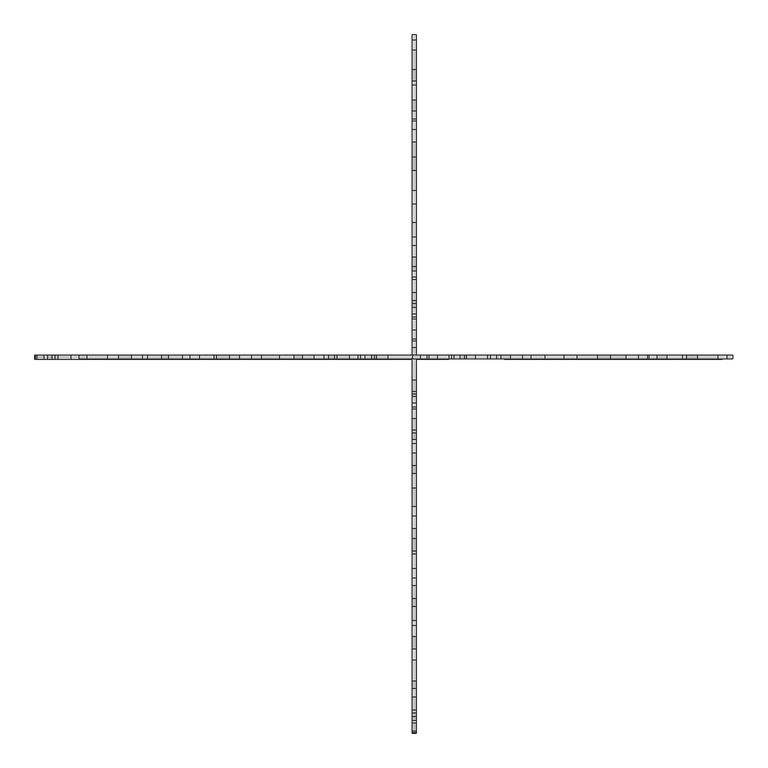
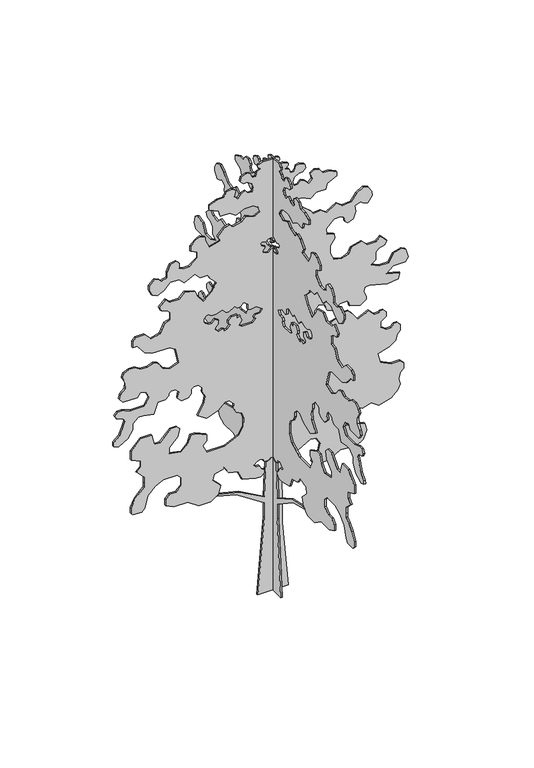
"""IFC4 building model written with IfcOpenShell, lengths in millimetres: geographic element geometry."""

from ifc_helpers import new_model, si_unit, frame, origin, place, context, project, spatial, polyline, outline, extrude, source, transform, mapped, element, save


def geographic_element_8b4415ea(model_context):
    return source(origin(), model_context, "Body", "SweptSolid", [
        extrude(outline(polyline([(909.6362132, -38.5817542), (912.2284196, -48.2559999), (667.3547769, -57.9302455), (758.3296917, -222.0533363), (791.0514267, -358.3990671), (781.9407792, -371.4104203), (747.1795853, -241.6798785), (625.5803062, -57.9302455), (525.4251453, -57.9302455), (0.0, -99.3630761), (0.0, 100.9472457), (448.9831813, 61.6663073), (649.2935031, 61.6663073), (824.9746924, 52.4592463), (824.9746924, 40.7138002), (840.1746023, 17.7450961), (855.1978764, 17.7450961), (867.5914453, 30.138665), (886.9399366, 35.3230776), (915.9626736, 27.5464587), (925.8960574, -13.8442096), (917.0435083, -22.6967588), (909.6362132, -38.5817542)])), frame((0.0, -10.0, 0.0), z_axis=(0.0, 1.0, 0.0), x_axis=(0.0, 0.0, 1.0)), (0.0, 0.0, 1.0), 10.0),
        extrude(outline(polyline([(3004.9780743, -68.6541089), (2990.7876761, -99.085516), (2975.764402, -99.085516), (2958.0593036, -81.3804177), (2946.4192686, -106.3425533), (2917.3965316, -114.1191722), (2917.3965316, -131.6463254), (2929.1426302, -143.3924239), (2953.3282443, -149.8729397), (2959.8087601, -174.0585538), (2943.9359851, -208.0978297), (2917.3965316, -215.2090548), (2896.1504136, -193.9629368), (2896.1504136, -168.9241465), (2876.0440895, -140.2093398), (2851.0819539, -128.5693048), (2819.6406555, -136.9939754), (2819.6406555, -162.0327656), (2840.8867735, -183.2788836), (2829.2467385, -208.2410192), (2804.4596008, -233.0281569), (2827.4762287, -256.0447848), (2866.1732113, -245.6759596), (2884.8433694, -272.3397086), (2876.1637887, -304.7323448), (2843.1190964, -327.8704875), (2843.1190964, -367.9325518), (2819.6406555, -418.2822308), (2789.5941072, -418.2822308), (2760.4485101, -355.7792961), (2721.7515275, -345.4104709), (2721.7515275, -284.3736331), (2693.0282074, -243.3524807), (2718.4246474, -188.8896394), (2718.4246474, -128.7965428), (2697.6207624, -99.085516), (2661.3122015, -82.154556), (2640.1485015, -127.5402571), (2664.0032343, -178.6968967), (2635.6750769, -207.025054), (2620.1218391, -265.070528), (2643.6188694, -288.5675583), (2628.7347313, -320.4866955), (2586.2424952, -362.9789315), (2549.9339343, -346.0479715), (2530.4469172, -418.7745096), (2590.6432413, -446.8445165), (2610.6742735, -446.8445165), (2626.0661832, -479.8525735), (2613.3679632, -507.0839941), (2577.9577665, -542.4941909), (2545.7863927, -542.4941909), (2524.6226927, -497.1084897), (2484.5606283, -497.1084897), (2442.7925354, -550.7714924), (2442.7925354, -590.8335568), (2455.4907554, -618.0649774), (2489.9716995, -618.0649774), (2509.2890651, -637.382343), (2498.9202398, -676.0793256), (2456.1594813, -696.0189948), (2416.0974169, -696.0189948), (2405.7285917, -734.7159774), (2419.8926703, -748.8800561), (2433.9295476, -778.9822366), (2398.3382586, -814.5735256), (2368.2917103, -814.5735256), (2328.4441857, -795.9923197), (2312.9629237, -762.7926462), (2334.1266237, -717.4069451), (2376.6188597, -674.914709), (2376.6188597, -618.0649774), (2343.4044757, -584.8505934), (2376.6188597, -513.6221171), (2341.208663, -478.2119203), (2341.208663, -428.1343399), (2313.9772424, -415.4361199), (2271.4850063, -372.9438838), (2217.0221649, -398.3403238), (2170.7424304, -457.7998142), (2221.2456115, -497.1084897), (2257.5541724, -514.0394497), (2275.6996166, -581.7591693), (2239.3938085, -618.0649774), (2239.3938085, -678.158074), (2267.7219659, -706.4862314), (2225.9907154, -748.2174819), (2198.7592947, -735.5192619), (2188.17523, -696.0189948), (2166.929112, -674.7728768), (2116.8515315, -674.7728768), (2106.4827063, -713.4698594), (2042.9427247, -743.0990394), (2027.3894869, -801.1445133), (2071.2405079, -844.9955344), (2071.2405079, -902.9676893), (2050.0212265, -924.1869708), (2009.9591621, -924.1869708), (2009.9591621, -894.1404225), (1946.7302527, -844.9267961), (1924.9121026, -798.1376223), (1924.9121026, -680.5958888), (1900.3337214, -644.1569401), (1797.2086718, -619.8448825), (1775.7992453, -678.6667985), (1796.6172094, -723.997408), (1845.2335458, -759.3192439), (1855.0157451, -787.7288134), (1837.453692, -823.7363583), (1840.9469274, -873.6919523), (1863.3493495, -906.9049089), (1866.1439378, -946.8693841), (1848.5818847, -982.876929), (1822.5397793, -991.843945), (1779.7808197, -970.989007), (1742.3141242, -973.6089335), (1713.4958868, -1001.4383819), (1681.7892297, -1012.3558595), (1651.4217157, -990.292569), (1651.4217157, -892.4052062), (1679.6199109, -873.3852833), (1666.7016052, -835.8677993), (1621.692174, -813.9152329), (1574.6126843, -845.6707497), (1574.6126843, -934.4875412), (1594.1770829, -991.3066803), (1594.1770829, -1021.3532286), (1574.6126843, -1040.9176271), (1545.9185436, -1026.9225595), (1538.3280834, -987.8730271), (1514.6398301, -976.3194939), (1486.2302606, -986.1016932), (1426.0727084, -1009.1940139), (1390.5049416, -1047.3357741), (1364.8741513, -1047.7831612), (1352.7420843, -1016.1780462), (1386.7314142, -954.859672), (1438.2412515, -923.9094392), (1478.2972143, -923.2102598), (1513.0840247, -887.1874631), (1512.5243616, -855.1243865), (1499.1470077, -786.3038666), (1573.081046, -757.9232483), (1572.2070717, -707.8532949), (1593.079158, -686.2396169), (1605.0899972, -686.0299669), (1619.0047213, -671.6208482), (1618.4803368, -641.5788762), (1596.8666587, -620.7067899), (1554.9866764, -628.8474338), (1526.168439, -601.0179855), (1532.8425336, -558.8794109), (1553.7146198, -537.2657329), (1583.7565918, -536.7413483), (1597.671316, -522.3322296), (1597.1469315, -492.2902576), (1567.9522954, -464.0973253), (1537.9103234, -464.6217098), (1502.8712524, -445.1992356), (1453.7137381, -454.7544885), (1385.033955, -496.0214655), (1348.9253501, -435.9266552), (1375.0112148, -360.1678032), (1416.1818763, -317.5343352), (1415.6574917, -287.4923631), (1386.8392544, -259.6629148), (1356.7972823, -260.1872994), (1321.7582113, -240.7648251), (1301.1247228, -206.4249336), (1263.2452968, -193.3820012), (1203.8131472, -194.4193932), (1154.9293548, -223.791739), (1110.0956805, -315.7143938), (1110.0956805, -435.9005869), (1165.042784, -462.7000799), (1191.842277, -435.9005869), (1231.9043414, -435.9005869), (1265.7662614, -508.5177087), (1265.7662614, -542.2918901), (1214.2555036, -560.0284664), (1171.7632675, -602.5207025), (1187.0533378, -681.181295), (1228.0376988, -681.181295), (1283.6137873, -625.6052064), (1334.612905, -611.940034), (1355.859023, -633.1861521), (1355.859023, -673.2482164), (1285.6376093, -743.4696301), (1285.6376093, -779.7655665), (1355.859023, -798.5813376), (1355.859023, -868.6899502), (1290.4887521, -934.0602211), (1230.3956556, -934.0602211), (1199.9129976, -868.6899502), (1160.4172892, -868.6899502), (1132.0891319, -897.0181076), (1082.5148565, -847.4438322), (1042.4947495, -847.4438322), (1012.4482012, -847.4438322), (986.638449, -873.2535844), (951.2282523, -908.6637811), (896.765411, -934.0602211), (856.7033466, -934.0602211), (844.4437736, -921.8006481), (844.4437736, -865.1443334), (865.6898916, -843.8982153), (943.0838569, -823.1605648), (992.6581323, -773.5862894), (1018.311786, -720.9885047), (1018.311786, -630.8488599), (989.9836286, -602.5207025), (938.3362477, -602.5207025), (902.926051, -637.9308992), (902.926051, -678.6942315), (874.5978936, -707.0223889), (833.8345613, -707.0223889), (808.1746727, -651.9945804), (808.1746727, -561.8549356), (756.4726965, -488.0168612), (756.4726965, -407.8927325), (790.9406807, -358.6673496), (848.9861546, -343.1141118), (902.926051, -397.0540081), (941.6230336, -386.6851829), (959.7684778, -318.9654633), (918.7473254, -290.2421431), (902.926051, -231.1963433), (839.3860694, -201.5671633), (816.0562126, -114.4989524), (816.0562126, -79.444646), (837.3023306, -58.198528), (856.5714261, -58.198528), (870.0081785, -78.502911), (897.2395992, -91.201131), (897.2395992, -111.2321632), (911.4036779, -125.3962418), (930.2198467, -106.580073), (938.6853267, -88.4257925), (932.8528625, -66.6587398), (914.7098798, -58.198528), (909.5254672, -38.8500367), (916.9327622, -22.9650413), (925.7853113, -14.1124921), (915.8519275, 27.2781762), (886.8291905, 35.0547951), (867.4806992, 29.8703825), (855.0871304, 17.4768136), (840.0638562, 17.4768136), (824.8639463, 40.4455177), (824.8639463, 72.995945), (842.9792766, 84.9840566), (859.9092065, 80.4476956), (873.8297403, 94.3682294), (858.9666747, 116.8279256), (873.719044, 126.5905436), (917.3124722, 167.9522805), (964.4166915, 244.8050494), (955.0676244, 283.7609724), (911.0332349, 310.7503129), (862.338331, 299.0639789), (841.0366612, 264.309294), (802.0807381, 254.9602268), (767.3260532, 276.2618966), (778.5589455, 374.7789659), (819.5818981, 441.7098595), (813.0818905, 548.1291214), (841.8784967, 595.1121508), (896.4816965, 618.8489046), (948.500192, 603.4356238), (984.0540362, 455.2889908), (1084.985613, 425.3825754), (1115.3529694, 454.1953266), (1057.519, 587.2345713), (1074.8853604, 645.8445425), (1041.9030274, 695.684407), (1064.3966307, 779.6316775), (1106.4279083, 821.6629551), (1142.7364692, 838.5939151), (1181.4334518, 828.2250899), (1220.1304344, 838.5939151), (1241.3765525, 859.8400331), (1281.4386168, 859.8400331), (1302.6847349, 838.5939151), (1302.6847349, 779.3264202), (1336.5466549, 706.7092984), (1404.2663745, 688.5638542), (1425.0040249, 765.9578194), (1453.7273451, 806.9789718), (1492.4243277, 817.3477971), (1513.6704457, 838.5939151), (1554.2557658, 838.5939151), (1575.5018838, 817.3477971), (1575.5018838, 797.3167649), (1554.2557658, 776.0706469), (1554.2557658, 746.0240986), (1578.7267375, 711.0759291), (1618.7888018, 711.0759291), (1643.2597736, 746.0240986), (1673.3063218, 746.0240986), (1694.5524399, 724.7779806), (1694.5524399, 704.7469484), (1686.0582003, 696.2527088), (1686.0582003, 666.2061605), (1721.468397, 630.7959638), (1687.9995347, 559.0217569), (1745.4291481, 518.8091087), (1768.1046205, 496.1336363), (1768.1046205, 446.0560559), (1739.7764631, 417.7278985), (1724.2232252, 359.6824246), (1742.3686694, 291.962705), (1787.7543705, 270.799005), (1845.3435881, 270.799005), (1877.2127651, 302.668182), (1868.140043, 336.5280418), (1820.4850568, 358.7499268), (1803.3575156, 405.8074596), (1838.7677123, 441.2176564), (1838.7677123, 493.7991158), (1800.0707297, 504.1679411), (1781.4721886, 573.5786413), (1809.0770337, 613.0024457), (1829.1080659, 613.0024457), (1865.4166268, 596.0714857), (1894.3827601, 603.8329377), (1898.4961176, 633.1009967), (1866.9849073, 750.7024346), (1877.4379239, 825.0795124), (1916.1349065, 835.4483376), (1939.8777959, 746.8386678), (1978.2021293, 792.5118298), (1978.2021293, 871.661705), (2008.5600491, 889.1888582), (2064.666455, 874.155192), (2079.6707528, 848.1669859), (2064.666455, 792.1701842), (2010.9601419, 761.1628299), (2010.9601419, 701.0697333), (2038.4514501, 642.1144327), (2062.0526795, 675.8204815), (2112.13026, 675.8204815), (2133.376378, 697.0665995), (2143.9604427, 736.5668666), (2171.1918634, 749.2650866), (2212.9231139, 707.5338361), (2184.5949565, 679.2056787), (2184.5949565, 619.1125821), (2220.9007646, 582.806774), (2202.7553204, 515.0870544), (2166.4467595, 498.1560944), (2146.9574108, 456.3610511), (2162.2233129, 399.3879285), (2212.1964794, 376.0850583), (2264.6820811, 376.0850583), (2304.143753, 406.9158954), (2336.0753263, 402.9951912), (2351.5501497, 355.368582), (2391.3135975, 350.4862445), (2439.3102323, 398.6590012), (2444.1925698, 438.422449), (2434.9076758, 466.9984145), (2400.6837473, 471.2005845), (2383.8645652, 492.728156), (2398.8720786, 529.8730553), (2443.7441394, 544.4528716), (2483.5075872, 539.5705342), (2498.5151006, 576.7154334), (2486.1827658, 592.5001022), (2475.9190502, 624.0885706), (2515.5825342, 655.0770805), (2545.4051201, 651.4153274), (2582.691148, 628.1164313), (2594.0109926, 593.2775319), (2567.473918, 550.8093352), (2520.1199117, 513.8123307), (2513.1916722, 457.3863484), (2542.1106661, 420.3717242), (2500.4632894, 353.7219893), (2531.2941265, 314.2603174), (2525.1912046, 264.5560076), (2550.6721227, 248.6337628), (2587.6691272, 201.2797565), (2609.2043823, 179.7445014), (2585.3496495, 128.5878618), (2606.5133496, 83.2021607), (2642.8219104, 100.1331207), (2663.6257954, 129.8441475), (2663.6257954, 189.9372441), (2638.2293554, 244.4000854), (2666.9526755, 285.4212378), (2666.9526755, 346.4580756), (2705.6496581, 356.8269008), (2734.7952552, 419.3298355), (2764.8418035, 419.3298355), (2788.3202444, 368.9801565), (2788.3202444, 328.9180922), (2821.3649367, 305.7799495), (2830.0445174, 273.3873133), (2811.3743593, 246.7235643), (2772.6773767, 257.0923895), (2749.6607488, 234.0757616), (2774.4478865, 209.2886239), (2786.0879215, 184.3264883), (2764.8418035, 163.0803703), (2764.8418035, 138.0415801), (2796.2831019, 129.6169095), (2821.2452375, 141.2569445), (2841.3515616, 169.9717512), (2841.3515616, 195.0105415), (2862.5976796, 216.2566595), (2889.1371331, 209.1454344), (2905.0099081, 175.1061585), (2898.5293923, 150.9205444), (2874.3437782, 144.4400286), (2862.5976796, 132.6939301), (2862.5976796, 115.1667769), (2891.6204166, 107.390158), (2903.2604516, 82.4280223), (2920.96555, 100.1331207), (2935.9888241, 100.1331207), (2949.7452291, 70.632415), (2949.7452291, 38.70214), (2964.1451521, 31.9873456), (2982.6046707, 44.9128397), (2997.1160392, 41.0245302), (3005.8516953, 22.2908551), (3000.0192311, 0.5238023), (3004.9780743, -68.6541089)]), holes=[polyline([(2439.84748, 143.9175891), (2430.9949308, 152.7701383), (2420.1097699, 152.7701383), (2411.3461934, 167.9490982), (2399.6583311, 163.4625482), (2399.6583311, 135.919879), (2390.3080414, 132.330639), (2379.6849823, 142.953698), (2368.7808038, 124.0671067), (2386.4848903, 102.968198), (2402.8478974, 109.2493679), (2411.7004466, 100.3968188), (2411.7004466, 80.3657866), (2391.992067, 68.9871483), (2378.9815299, 76.4987854), (2363.9582558, 50.4777113), (2368.6821628, 22.79817), (2381.0113602, 20.6241999), (2384.4417787, 0.5238023), (2375.2119339, -15.4627578), (2359.2773453, -31.3973463), (2362.2259701, -48.6746931), (2370.9895466, -63.853653), (2383.0057332, -63.853653), (2397.1698119, -49.6895743), (2407.185328, -49.6895743), (2421.8175013, -75.0332419), (2435.9347611, -80.1715042), (2445.0166677, -71.0895976), (2436.1052329, -47.8745162), (2451.8941197, -32.0856294), (2455.3724719, -12.3589136), (2448.2904326, -5.2768743), (2435.7710375, -5.2768743), (2425.1479784, -15.8999333), (2414.3058642, -9.6402358), (2421.8175013, 3.3703013), (2421.8175013, 21.196057), (2415.5578037, 32.0381712), (2418.6013619, 49.2990475), (2432.7654406, 63.4631262), (2439.84748, 56.3810869), (2439.84748, 41.3578127), (2450.6895942, 35.0981152), (2459.4531708, 50.277075), (2439.84748, 101.3516457), (2439.84748, 143.9175891)]), polyline([(2043.3208417, -212.1584501), (2064.5174679, -190.9618238), (2047.7156514, -166.0521064), (2012.2217202, -166.0521064), (2001.0205091, -149.4456281), (2010.2132577, -110.4525213), (1982.2102301, -68.9363256), (1957.3005127, -85.7381422), (1957.3005127, -114.0662995), (1943.136434, -128.2303782), (1928.9723553, -114.0662995), (1907.7262373, -135.3124176), (1907.7262373, -205.4210302), (1918.9274483, -222.0275085), (1947.9887853, -202.4253892), (1984.7253881, -215.7964191), (1977.302154, -236.1915872), (1997.3331861, -236.1915872), (1997.3331861, -273.3186987), (1976.0870681, -294.5648167), (1957.0188986, -294.5648167), (1942.8548199, -280.4007381), (1920.6482222, -302.6073358), (1916.2527142, -321.2518698), (1928.7721093, -321.2518698), (1933.1312987, -337.5205862), (1924.1826717, -356.7109786), (1943.5549835, -376.0832904), (1957.3005127, -376.0832904), (1976.6728245, -356.7109786), (2001.7774876, -356.7109786), (2018.5793042, -381.6206961), (1997.3331861, -402.8668141), (1997.3331861, -422.8978463), (2011.7637912, -444.2920981), (2019.3805652, -451.9088721), (2043.3208417, -451.9088721), (2060.3705467, -440.4087009), (2065.0939883, -427.4311517), (2048.2921717, -402.5214342), (2048.2921717, -372.474886), (2062.4562504, -333.5593996), (2035.3519611, -306.4551103), (2035.3519611, -287.7951994), (2057.4849204, -250.3556659), (2043.3208417, -236.1915872), (2043.3208417, -212.1584501)])]), frame((0.0, -10.0, 0.0), z_axis=(0.0, 1.0, 0.0), x_axis=(0.0, 0.0, 1.0)), (0.0, 0.0, 1.0), 10.0),
        extrude(outline(polyline([(-38.5817542, 909.6362132), (-22.6967588, 917.0435083), (-13.8442096, 925.8960574), (27.5464587, 915.9626736), (35.3230776, 886.9399366), (30.138665, 867.5914453), (17.7450961, 855.1978764), (17.7450961, 840.1746023), (40.7138002, 824.9746924), (52.4592463, 824.9746924), (61.6663073, 649.2935031), (61.6663073, 448.9831813), (100.9472457, 0.0), (-99.3630761, 0.0), (-57.9302455, 525.4251453), (-57.9302455, 625.5803062), (-241.6798785, 747.1795853), (-371.4104203, 781.9407792), (-358.3990671, 791.0514267), (-222.0533363, 758.3296917), (-57.9302455, 667.3547769), (-48.2559999, 912.2284196), (-38.5817542, 909.6362132)])), frame((0.0, 0.0, 0.0), z_axis=(1.0, 0.0, 0.0), x_axis=(0.0, 1.0, 0.0)), (0.0, 0.0, 1.0), 10.0),
        extrude(outline(polyline([(-68.6541089, 3004.9780743), (0.5238023, 3000.0192311), (22.2908551, 3005.8516953), (41.0245302, 2997.1160392), (44.9128397, 2982.6046707), (31.9873456, 2964.1451521), (38.70214, 2949.7452291), (70.632415, 2949.7452291), (100.1331207, 2935.9888241), (100.1331207, 2920.96555), (82.4280223, 2903.2604516), (107.390158, 2891.6204166), (115.1667769, 2862.5976796), (132.6939301, 2862.5976796), (144.4400286, 2874.3437782), (150.9205444, 2898.5293923), (175.1061585, 2905.0099081), (209.1454344, 2889.1371331), (216.2566595, 2862.5976796), (195.0105415, 2841.3515616), (169.9717512, 2841.3515616), (141.2569445, 2821.2452375), (129.6169095, 2796.2831019), (138.0415801, 2764.8418035), (163.0803703, 2764.8418035), (184.3264883, 2786.0879215), (209.2886239, 2774.4478865), (234.0757616, 2749.6607488), (257.0923895, 2772.6773767), (246.7235643, 2811.3743593), (273.3873133, 2830.0445174), (305.7799495, 2821.3649367), (328.9180922, 2788.3202444), (368.9801565, 2788.3202444), (419.3298355, 2764.8418035), (419.3298355, 2734.7952552), (356.8269008, 2705.6496581), (346.4580756, 2666.9526755), (285.4212378, 2666.9526755), (244.4000854, 2638.2293554), (189.9372441, 2663.6257954), (129.8441475, 2663.6257954), (100.1331207, 2642.8219104), (83.2021607, 2606.5133496), (128.5878618, 2585.3496495), (179.7445014, 2609.2043823), (201.2797565, 2587.6691272), (248.6337628, 2550.6721227), (264.5560076, 2525.1912046), (314.2603174, 2531.2941265), (353.7219893, 2500.4632894), (420.3717242, 2542.1106661), (457.3863484, 2513.1916722), (513.8123307, 2520.1199117), (550.8093352, 2567.473918), (593.2775319, 2594.0109926), (628.1164313, 2582.691148), (651.4153274, 2545.4051201), (655.0770805, 2515.5825342), (624.0885706, 2475.9190502), (592.5001022, 2486.1827658), (576.7154334, 2498.5151006), (539.5705342, 2483.5075872), (544.4528716, 2443.7441394), (529.8730553, 2398.8720786), (492.728156, 2383.8645652), (471.2005845, 2400.6837473), (466.9984145, 2434.9076758), (438.422449, 2444.1925698), (398.6590012, 2439.3102323), (350.4862445, 2391.3135975), (355.368582, 2351.5501497), (402.9951912, 2336.0753263), (406.9158954, 2304.143753), (376.0850583, 2264.6820811), (376.0850583, 2212.1964794), (399.3879285, 2162.2233129), (456.3610511, 2146.9574108), (498.1560944, 2166.4467595), (515.0870544, 2202.7553204), (582.806774, 2220.9007646), (619.1125821, 2184.5949565), (679.2056787, 2184.5949565), (707.5338361, 2212.9231139), (749.2650866, 2171.1918634), (736.5668666, 2143.9604427), (697.0665995, 2133.376378), (675.8204815, 2112.13026), (675.8204815, 2062.0526795), (642.1144327, 2038.4514501), (701.0697333, 2010.9601419), (761.1628299, 2010.9601419), (792.1701842, 2064.666455), (848.1669859, 2079.6707528), (874.155192, 2064.666455), (889.1888582, 2008.5600491), (871.661705, 1978.2021293), (792.5118298, 1978.2021293), (746.8386678, 1939.8777959), (835.4483376, 1916.1349065), (825.0795124, 1877.4379239), (750.7024346, 1866.9849073), (633.1009967, 1898.4961176), (603.8329377, 1894.3827601), (596.0714857, 1865.4166268), (613.0024457, 1829.1080659), (613.0024457, 1809.0770337), (573.5786413, 1781.4721886), (504.1679411, 1800.0707297), (493.7991158, 1838.7677123), (441.2176564, 1838.7677123), (405.8074596, 1803.3575156), (358.7499268, 1820.4850568), (336.5280418, 1868.140043), (302.668182, 1877.2127651), (270.799005, 1845.3435881), (270.799005, 1787.7543705), (291.962705, 1742.3686694), (359.6824246, 1724.2232252), (417.7278985, 1739.7764631), (446.0560559, 1768.1046205), (496.1336363, 1768.1046205), (518.8091087, 1745.4291481), (559.0217569, 1687.9995347), (630.7959638, 1721.468397), (666.2061605, 1686.0582003), (696.2527088, 1686.0582003), (704.7469484, 1694.5524399), (724.7779806, 1694.5524399), (746.0240986, 1673.3063218), (746.0240986, 1643.2597736), (711.0759291, 1618.7888018), (711.0759291, 1578.7267375), (746.0240986, 1554.2557658), (776.0706469, 1554.2557658), (797.3167649, 1575.5018838), (817.3477971, 1575.5018838), (838.5939151, 1554.2557658), (838.5939151, 1513.6704457), (817.3477971, 1492.4243277), (806.9789718, 1453.7273451), (765.9578194, 1425.0040249), (688.5638542, 1404.2663745), (706.7092984, 1336.5466549), (779.3264202, 1302.6847349), (838.5939151, 1302.6847349), (859.8400331, 1281.4386168), (859.8400331, 1241.3765525), (838.5939151, 1220.1304344), (828.2250899, 1181.4334518), (838.5939151, 1142.7364692), (821.6629551, 1106.4279083), (779.6316775, 1064.3966307), (695.684407, 1041.9030274), (645.8445425, 1074.8853604), (587.2345713, 1057.519), (454.1953266, 1115.3529694), (425.3825754, 1084.985613), (455.2889908, 984.0540362), (603.4356238, 948.500192), (618.8489046, 896.4816965), (595.1121508, 841.8784967), (548.1291214, 813.0818905), (441.7098595, 819.5818981), (374.7789659, 778.5589455), (276.2618966, 767.3260532), (254.9602268, 802.0807381), (264.309294, 841.0366612), (299.0639789, 862.338331), (310.7503129, 911.0332349), (283.7609724, 955.0676244), (244.8050494, 964.4166915), (167.9522805, 917.3124722), (126.5905436, 873.719044), (116.8279256, 858.9666747), (94.3682294, 873.8297403), (80.4476956, 859.9092065), (84.9840566, 842.9792766), (72.995945, 824.8639463), (40.4455177, 824.8639463), (17.4768136, 840.0638562), (17.4768136, 855.0871304), (29.8703825, 867.4806992), (35.0547951, 886.8291905), (27.2781762, 915.8519275), (-14.1124921, 925.7853113), (-22.9650413, 916.9327622), (-38.8500367, 909.5254672), (-58.198528, 914.7098798), (-66.6587398, 932.8528625), (-88.4257925, 938.6853267), (-106.580073, 930.2198467), (-125.3962418, 911.4036779), (-111.2321632, 897.2395992), (-91.201131, 897.2395992), (-78.502911, 870.0081785), (-58.198528, 856.5714261), (-58.198528, 837.3023306), (-79.444646, 816.0562126), (-114.4989524, 816.0562126), (-201.5671633, 839.3860694), (-231.1963433, 902.926051), (-290.2421431, 918.7473254), (-318.9654633, 959.7684778), (-386.6851829, 941.6230336), (-397.0540081, 902.926051), (-343.1141118, 848.9861546), (-358.6673496, 790.9406807), (-407.8927325, 756.4726965), (-488.0168612, 756.4726965), (-561.8549356, 808.1746727), (-651.9945804, 808.1746727), (-707.0223889, 833.8345613), (-707.0223889, 874.5978936), (-678.6942315, 902.926051), (-637.9308992, 902.926051), (-602.5207025, 938.3362477), (-602.5207025, 989.9836286), (-630.8488599, 1018.311786), (-720.9885047, 1018.311786), (-773.5862894, 992.6581323), (-823.1605648, 943.0838569), (-843.8982153, 865.6898916), (-865.1443334, 844.4437736), (-921.8006481, 844.4437736), (-934.0602211, 856.7033466), (-934.0602211, 896.765411), (-908.6637811, 951.2282523), (-873.2535844, 986.638449), (-847.4438322, 1012.4482012), (-847.4438322, 1042.4947495), (-847.4438322, 1082.5148565), (-897.0181076, 1132.0891319), (-868.6899502, 1160.4172892), (-868.6899502, 1199.9129976), (-934.0602211, 1230.3956556), (-934.0602211, 1290.4887521), (-868.6899502, 1355.859023), (-798.5813376, 1355.859023), (-779.7655665, 1285.6376093), (-743.4696301, 1285.6376093), (-673.2482164, 1355.859023), (-633.1861521, 1355.859023), (-611.940034, 1334.612905), (-625.6052064, 1283.6137873), (-681.181295, 1228.0376988), (-681.181295, 1187.0533378), (-602.5207025, 1171.7632675), (-560.0284664, 1214.2555036), (-542.2918901, 1265.7662614), (-508.5177087, 1265.7662614), (-435.9005869, 1231.9043414), (-435.9005869, 1191.842277), (-462.7000799, 1165.042784), (-435.9005869, 1110.0956805), (-315.7143938, 1110.0956805), (-223.791739, 1154.9293548), (-194.4193932, 1203.8131472), (-193.3820012, 1263.2452968), (-206.4249336, 1301.1247228), (-240.7648251, 1321.7582113), (-260.1872994, 1356.7972823), (-259.6629148, 1386.8392544), (-287.4923631, 1415.6574917), (-317.5343352, 1416.1818763), (-360.1678032, 1375.0112148), (-435.9266552, 1348.9253501), (-496.0214655, 1385.033955), (-454.7544885, 1453.7137381), (-445.1992356, 1502.8712524), (-464.6217098, 1537.9103234), (-464.0973253, 1567.9522954), (-492.2902576, 1597.1469315), (-522.3322296, 1597.671316), (-536.7413483, 1583.7565918), (-537.2657329, 1553.7146198), (-558.8794109, 1532.8425336), (-601.0179855, 1526.168439), (-628.8474338, 1554.9866764), (-620.7067899, 1596.8666587), (-641.5788762, 1618.4803368), (-671.6208482, 1619.0047213), (-686.0299669, 1605.0899972), (-686.2396169, 1593.079158), (-707.8532949, 1572.2070717), (-757.9232483, 1573.081046), (-786.3038666, 1499.1470077), (-855.1243865, 1512.5243616), (-887.1874631, 1513.0840247), (-923.2102598, 1478.2972143), (-923.9094392, 1438.2412515), (-954.859672, 1386.7314142), (-1016.1780462, 1352.7420843), (-1047.7831612, 1364.8741513), (-1047.3357741, 1390.5049416), (-1009.1940139, 1426.0727084), (-986.1016932, 1486.2302606), (-976.3194939, 1514.6398301), (-987.8730271, 1538.3280834), (-1026.9225595, 1545.9185436), (-1040.9176271, 1574.6126843), (-1021.3532286, 1594.1770829), (-991.3066803, 1594.1770829), (-934.4875412, 1574.6126843), (-845.6707497, 1574.6126843), (-813.9152329, 1621.692174), (-835.8677993, 1666.7016052), (-873.3852833, 1679.6199109), (-892.4052062, 1651.4217157), (-990.292569, 1651.4217157), (-1012.3558595, 1681.7892297), (-1001.4383819, 1713.4958868), (-973.6089335, 1742.3141242), (-970.989007, 1779.7808197), (-991.843945, 1822.5397793), (-982.876929, 1848.5818847), (-946.8693841, 1866.1439378), (-906.9049089, 1863.3493495), (-873.6919523, 1840.9469274), (-823.7363583, 1837.453692), (-787.7288134, 1855.0157451), (-759.3192439, 1845.2335458), (-723.997408, 1796.6172094), (-678.6667985, 1775.7992453), (-619.8448825, 1797.2086718), (-644.1569401, 1900.3337214), (-680.5958888, 1924.9121026), (-798.1376223, 1924.9121026), (-844.9267961, 1946.7302527), (-894.1404225, 2009.9591621), (-924.1869708, 2009.9591621), (-924.1869708, 2050.0212265), (-902.9676893, 2071.2405079), (-844.9955344, 2071.2405079), (-801.1445133, 2027.3894869), (-743.0990394, 2042.9427247), (-713.4698594, 2106.4827063), (-674.7728768, 2116.8515315), (-674.7728768, 2166.929112), (-696.0189948, 2188.17523), (-735.5192619, 2198.7592947), (-748.2174819, 2225.9907154), (-706.4862314, 2267.7219659), (-678.158074, 2239.3938085), (-618.0649774, 2239.3938085), (-581.7591693, 2275.6996166), (-514.0394497, 2257.5541724), (-497.1084897, 2221.2456115), (-457.7998142, 2170.7424304), (-398.3403238, 2217.0221649), (-372.9438838, 2271.4850063), (-415.4361199, 2313.9772424), (-428.1343399, 2341.208663), (-478.2119203, 2341.208663), (-513.6221171, 2376.6188597), (-584.8505934, 2343.4044757), (-618.0649774, 2376.6188597), (-674.914709, 2376.6188597), (-717.4069451, 2334.1266237), (-762.7926462, 2312.9629237), (-795.9923197, 2328.4441857), (-814.5735256, 2368.2917103), (-814.5735256, 2398.3382586), (-778.9822366, 2433.9295476), (-748.8800561, 2419.8926703), (-734.7159774, 2405.7285917), (-696.0189948, 2416.0974169), (-696.0189948, 2456.1594813), (-676.0793256, 2498.9202398), (-637.382343, 2509.2890651), (-618.0649774, 2489.9716995), (-618.0649774, 2455.4907554), (-590.8335568, 2442.7925354), (-550.7714924, 2442.7925354), (-497.1084897, 2484.5606283), (-497.1084897, 2524.6226927), (-542.4941909, 2545.7863927), (-542.4941909, 2577.9577665), (-507.0839941, 2613.3679632), (-479.8525735, 2626.0661832), (-446.8445165, 2610.6742735), (-446.8445165, 2590.6432413), (-418.7745096, 2530.4469172), (-346.0479715, 2549.9339343), (-362.9789315, 2586.2424952), (-320.4866955, 2628.7347313), (-288.5675583, 2643.6188694), (-265.070528, 2620.1218391), (-207.025054, 2635.6750769), (-178.6968967, 2664.0032343), (-127.5402571, 2640.1485015), (-82.154556, 2661.3122015), (-99.085516, 2697.6207624), (-128.7965428, 2718.4246474), (-188.8896394, 2718.4246474), (-243.3524807, 2693.0282074), (-284.3736331, 2721.7515275), (-345.4104709, 2721.7515275), (-355.7792961, 2760.4485101), (-418.2822308, 2789.5941072), (-418.2822308, 2819.6406555), (-367.9325518, 2843.1190964), (-327.8704875, 2843.1190964), (-304.7323448, 2876.1637887), (-272.3397086, 2884.8433694), (-245.6759596, 2866.1732113), (-256.0447848, 2827.4762287), (-233.0281569, 2804.4596008), (-208.2410192, 2829.2467385), (-183.2788836, 2840.8867735), (-162.0327656, 2819.6406555), (-136.9939754, 2819.6406555), (-128.5693048, 2851.0819539), (-140.2093398, 2876.0440895), (-168.9241465, 2896.1504136), (-193.9629368, 2896.1504136), (-215.2090548, 2917.3965316), (-208.0978297, 2943.9359851), (-174.0585538, 2959.8087601), (-149.8729397, 2953.3282443), (-143.3924239, 2929.1426302), (-131.6463254, 2917.3965316), (-114.1191722, 2917.3965316), (-106.3425533, 2946.4192686), (-81.3804177, 2958.0593036), (-99.085516, 2975.764402), (-99.085516, 2990.7876761), (-68.6541089, 3004.9780743)]), holes=[polyline([(143.9175891, 2439.84748), (101.3516457, 2439.84748), (50.277075, 2459.4531708), (35.0981152, 2450.6895942), (41.3578127, 2439.84748), (56.3810869, 2439.84748), (63.4631262, 2432.7654406), (49.2990475, 2418.6013619), (32.0381712, 2415.5578037), (21.196057, 2421.8175013), (3.3703013, 2421.8175013), (-9.6402358, 2414.3058642), (-15.8999333, 2425.1479784), (-5.2768743, 2435.7710375), (-5.2768743, 2448.2904326), (-12.3589136, 2455.3724719), (-32.0856294, 2451.8941197), (-47.8745162, 2436.1052329), (-71.0895976, 2445.0166677), (-80.1715042, 2435.9347611), (-75.0332419, 2421.8175013), (-49.6895743, 2407.185328), (-49.6895743, 2397.1698119), (-63.853653, 2383.0057332), (-63.853653, 2370.9895466), (-48.6746931, 2362.2259701), (-31.3973463, 2359.2773453), (-15.4627578, 2375.2119339), (0.5238023, 2384.4417787), (20.6241999, 2381.0113602), (22.79817, 2368.6821628), (50.4777113, 2363.9582558), (76.4987854, 2378.9815299), (68.9871483, 2391.992067), (80.3657866, 2411.7004466), (100.3968188, 2411.7004466), (109.2493679, 2402.8478974), (102.968198, 2386.4848903), (124.0671067, 2368.7808038), (142.953698, 2379.6849823), (132.330639, 2390.3080414), (135.919879, 2399.6583311), (163.4625482, 2399.6583311), (167.9490982, 2411.3461934), (152.7701383, 2420.1097699), (152.7701383, 2430.9949308), (143.9175891, 2439.84748)]), polyline([(-212.1584501, 2043.3208417), (-236.1915872, 2043.3208417), (-250.3556659, 2057.4849204), (-287.7951994, 2035.3519611), (-306.4551103, 2035.3519611), (-333.5593996, 2062.4562504), (-372.474886, 2048.2921717), (-402.5214342, 2048.2921717), (-427.4311517, 2065.0939883), (-440.4087009, 2060.3705467), (-451.9088721, 2043.3208417), (-451.9088721, 2019.3805652), (-444.2920981, 2011.7637912), (-422.8978463, 1997.3331861), (-402.8668141, 1997.3331861), (-381.6206961, 2018.5793042), (-356.7109786, 2001.7774876), (-356.7109786, 1976.6728245), (-376.0832904, 1957.3005127), (-376.0832904, 1943.5549835), (-356.7109786, 1924.1826717), (-337.5205862, 1933.1312987), (-321.2518698, 1928.7721093), (-321.2518698, 1916.2527142), (-302.6073358, 1920.6482222), (-280.4007381, 1942.8548199), (-294.5648167, 1957.0188986), (-294.5648167, 1976.0870681), (-273.3186987, 1997.3331861), (-236.1915872, 1997.3331861), (-236.1915872, 1977.302154), (-215.7964191, 1984.7253881), (-202.4253892, 1947.9887853), (-222.0275085, 1918.9274483), (-205.4210302, 1907.7262373), (-135.3124176, 1907.7262373), (-114.0662995, 1928.9723553), (-128.2303782, 1943.136434), (-114.0662995, 1957.3005127), (-85.7381422, 1957.3005127), (-68.9363256, 1982.2102301), (-110.4525213, 2010.2132577), (-149.4456281, 2001.0205091), (-166.0521064, 2012.2217202), (-166.0521064, 2047.7156514), (-190.9618238, 2064.5174679), (-212.1584501, 2043.3208417)])]), frame((0.0, 0.0, 0.0), z_axis=(1.0, 0.0, 0.0), x_axis=(0.0, 1.0, 0.0)), (0.0, 0.0, 1.0), 10.0),
    ])


if __name__ == "__main__":
    model = new_model("IFC4")
    model_context = context("Model", 3, world=origin())
    ifc_project = project(units=[si_unit("LENGTHUNIT", "METRE", prefix="MILLI")], contexts=[model_context])
    site = spatial("IfcSite", under=ifc_project)
    building = spatial("IfcBuilding", under=site)
    placement = place(None, origin())
    geographic_element_shape = geographic_element_8b4415ea(model_context)
    element("IfcGeographicElement", 1, at=placement, inside=building, context=model_context, shape_type="MappedRepresentation", body=[
        mapped(geographic_element_shape, transform((0.0, 0.0, 0.0), x_axis=(1.0, 0.0, 0.0), y_axis=(0.0, 1.0, 0.0), z_axis=(0.0, 0.0, 1.0))),
    ])
    save(model, "model.ifc")
